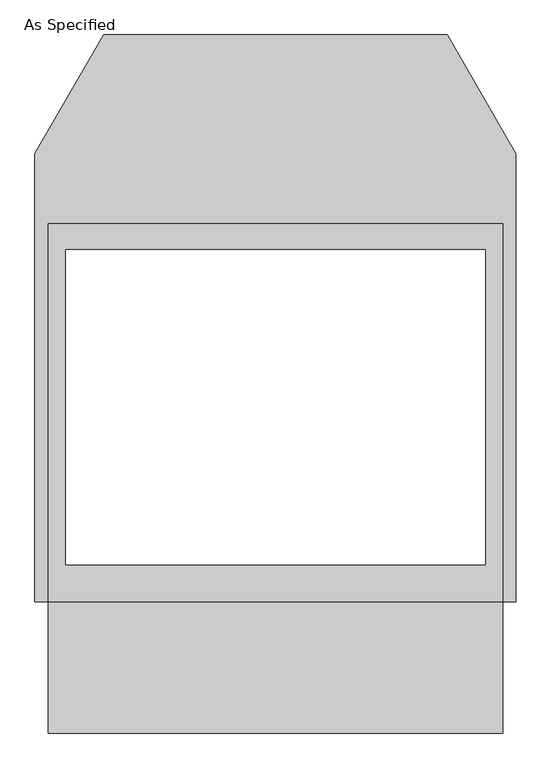
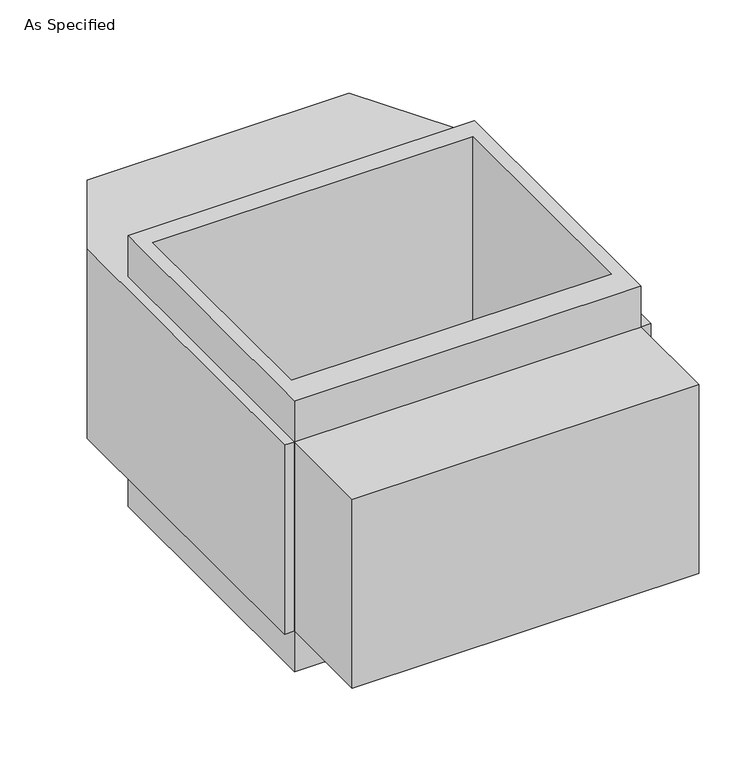
"""IFC4 building model written with IfcOpenShell, lengths in millimetres: proxy geometry, As Specified."""

from ifc_helpers import new_model, si_unit, frame, origin, place, context, project, spatial, polyline, outline, extrude, source, transform, mapped, element, save


def as_specified_d1cff6c1(model_context):
    return source(origin(), model_context, "Body", "SweptSolid", [
        extrude(outline(polyline([(660.4, 465.4351562), (660.4, -633.1148438), (-660.4, -633.1148438), (-660.4, 465.4351562), (660.4, 465.4351562)]), holes=[polyline([(-609.6, 389.2748437), (-609.6, -525.1251563), (609.6, -525.1251563), (609.6, 389.2748437), (-609.6, 389.2748437)])]), frame((0.0, 0.0, -952.5), z_axis=(0.0, 0.0, 1.0), x_axis=(1.0, 0.0, 0.0)), (0.0, 0.0, 1.0), 1092.2),
        extrude(outline(polyline([(660.4, -1014.1148438), (-660.4, -1014.1148438), (-660.4, -633.1148438), (-698.5, -633.1148438), (-698.5, 668.6748437), (-499.060123, 1014.1148437), (499.060123, 1014.1148437), (698.5, 668.6748437), (698.5, -633.1148438), (660.4, -633.1148438), (660.4, -1014.1148438)]), holes=[polyline([(609.6, -525.1251563), (609.6, 389.2748437), (-609.6, 389.2748437), (-609.6, -525.1251563), (609.6, -525.1251563)])]), frame((0.0, 0.0, -787.4), z_axis=(0.0, 0.0, 1.0), x_axis=(1.0, 0.0, 0.0)), (0.0, 0.0, 1.0), 762.0),
    ])


if __name__ == "__main__":
    model = new_model("IFC4")
    model_context = context("Model", 3, world=origin())
    ifc_project = project(units=[si_unit("LENGTHUNIT", "METRE", prefix="MILLI")], contexts=[model_context])
    site = spatial("IfcSite", under=ifc_project)
    building = spatial("IfcBuilding", under=site)
    placement = place(None, origin())
    as_specified_shape = as_specified_d1cff6c1(model_context)
    element("IfcBuildingElementProxy", 1, Name="As Specified", ObjectType="As Specified", at=placement, inside=building, context=model_context, shape_type="MappedRepresentation", body=[
        mapped(as_specified_shape, transform((0.0, 0.0, 0.0), x_axis=(1.0, 0.0, 0.0), y_axis=(0.0, 1.0, 0.0), z_axis=(0.0, 0.0, 1.0))),
    ])
    save(model, "model.ifc")
